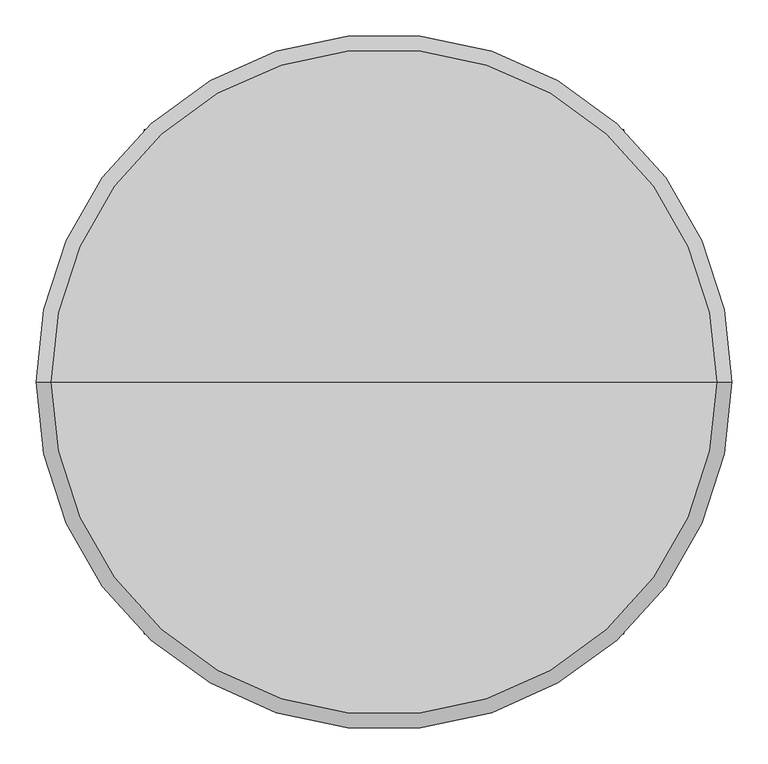
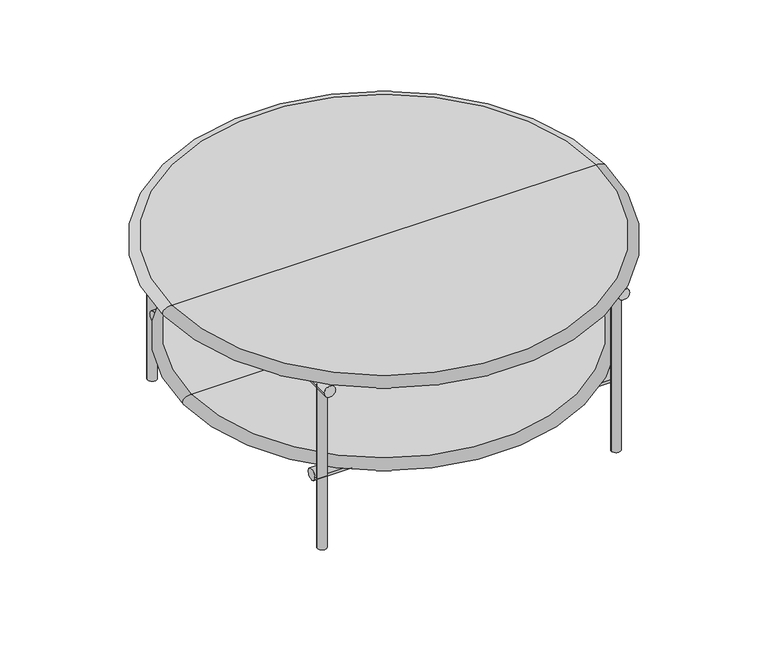
"""IFC4 building model written with IfcOpenShell, lengths in millimetres: furniture geometry."""

from ifc_helpers import new_model, si_unit, point, frame, frame_2d, origin, origin_with_axes, place, context, project, spatial, polyline, circle_curve, ellipse_curve, trimmed, segment, composite_curve, outline, extrude, source, transform, mapped, element, save
from ifc_brep_helpers import plane_surface, revolved_surface, advanced_brep


def furniture_38794dae(model_context):
    return source(origin(), model_context, "Body", "SolidModel", [
        extrude(outline(composite_curve([segment(trimmed(circle_curve(frame_2d((-224.4814804, -276.0)), 10.0), [point((-216.5922296, -282.1448939))], [point((-224.4814804, -286.0))], False, "CARTESIAN"), True, "CONTINUOUS"), segment(polyline([(-224.4814804, -286.0), (-252.7638191, -286.0), (-252.7638191, -281.0), (-226.6804189, -281.0)]), True, "CONTINUOUS"), segment(trimmed(circle_curve(frame_2d((-226.6804189, -271.5)), 9.5), [point((-226.6804189, -281.0))], [point((-219.1856306, -277.3376492))], True, "CARTESIAN"), True, "CONTINUOUS"), segment(polyline([(-219.1856306, -277.3376492), (-3.1688687, 0.0), (-219.1856306, 277.3376492)]), True, "CONTINUOUS"), segment(trimmed(circle_curve(frame_2d((-226.6804189, 271.5)), 9.5), [point((-219.1856306, 277.3376492))], [point((-226.6804189, 281.0))], True, "CARTESIAN"), True, "CONTINUOUS"), segment(polyline([(-226.6804189, 281.0), (-252.7638191, 281.0), (-252.7638191, 286.0), (-224.4814804, 286.0)]), True, "CONTINUOUS"), segment(trimmed(circle_curve(frame_2d((-224.4814804, 276.0)), 10.0), [point((-224.4814804, 286.0))], [point((-216.5922296, 282.1448939))], False, "CARTESIAN"), True, "CONTINUOUS"), segment(polyline([(-216.5922296, 282.1448939), (0.0, 4.0684185), (216.5922296, 282.1448939)]), True, "CONTINUOUS"), segment(trimmed(circle_curve(frame_2d((224.4814804, 276.0)), 10.0), [point((216.5922296, 282.1448939))], [point((224.4814804, 286.0))], False, "CARTESIAN"), True, "CONTINUOUS"), segment(polyline([(224.4814804, 286.0), (252.7638191, 286.0), (252.7638191, 281.0), (226.6804189, 281.0)]), True, "CONTINUOUS"), segment(trimmed(circle_curve(frame_2d((226.6804189, 271.5)), 9.5), [point((226.6804189, 281.0))], [point((219.1856306, 277.3376492))], True, "CARTESIAN"), True, "CONTINUOUS"), segment(polyline([(219.1856306, 277.3376492), (3.1688687, 0.0), (219.1856306, -277.3376492)]), True, "CONTINUOUS"), segment(trimmed(circle_curve(frame_2d((226.6804189, -271.5)), 9.5), [point((219.1856306, -277.3376492))], [point((226.6804189, -281.0))], True, "CARTESIAN"), True, "CONTINUOUS"), segment(polyline([(226.6804189, -281.0), (252.7638191, -281.0), (252.7638191, -286.0), (224.4814804, -286.0)]), True, "CONTINUOUS"), segment(trimmed(circle_curve(frame_2d((224.4814804, -276.0)), 10.0), [point((224.4814804, -286.0))], [point((216.5922296, -282.1448939))], False, "CARTESIAN"), True, "CONTINUOUS"), segment(polyline([(216.5922296, -282.1448939), (0.0, -4.0684185), (-216.5922296, -282.1448939)]), True, "CONTINUOUS")], self_intersect=False)), frame((0.0, 0.0, 145.0), z_axis=(0.0, 0.0, 1.0), x_axis=(1.0, 0.0, 0.0)), (0.0, 0.0, 1.0), 25.0),
        extrude(outline(composite_curve([segment(trimmed(circle_curve(frame_2d((298.4476471, 157.5)), 12.5), [point((310.9476471, 157.5))], [point((285.9476471, 157.5))], False, "CARTESIAN"), True, "CONTINUOUS"), segment(trimmed(circle_curve(frame_2d((298.4476471, 157.5)), 12.5), [point((285.9476471, 157.5))], [point((310.9476471, 157.5))], False, "CARTESIAN"), True, "CONTINUOUS")], self_intersect=False)), frame((-329.8534935, 0.0, 0.0), z_axis=(1.0, 0.0, 0.0), x_axis=(0.0, 1.0, 0.0)), (0.0, 0.0, 1.0), 659.8411172),
        extrude(outline(composite_curve([segment(trimmed(circle_curve(frame_2d((-298.4476471, 157.5)), 12.5), [point((-310.9476471, 157.5))], [point((-285.9476471, 157.5))], False, "CARTESIAN"), True, "CONTINUOUS"), segment(trimmed(circle_curve(frame_2d((-298.4476471, 157.5)), 12.5), [point((-285.9476471, 157.5))], [point((-310.9476471, 157.5))], False, "CARTESIAN"), True, "CONTINUOUS")], self_intersect=False)), frame((-329.8534935, 0.0, 0.0), z_axis=(1.0, 0.0, 0.0), x_axis=(0.0, 1.0, 0.0)), (0.0, 0.0, 1.0), 659.8411172),
        extrude(outline(composite_curve([segment(trimmed(circle_curve(frame_2d((375.5, -320.0)), 12.5), [point((375.5, -332.5))], [point((375.5, -307.5))], False, "CARTESIAN"), True, "CONTINUOUS"), segment(trimmed(circle_curve(frame_2d((375.5, -320.0)), 12.5), [point((375.5, -307.5))], [point((375.5, -332.5))], False, "CARTESIAN"), True, "CONTINUOUS")], self_intersect=False)), frame((0.0, -350.0, 0.0), z_axis=(0.0, 1.0, 0.0), x_axis=(0.0, 0.0, 1.0)), (0.0, 0.0, 1.0), 700.0),
        extrude(outline(composite_curve([segment(trimmed(circle_curve(frame_2d((375.5, 320.0)), 12.5), [point((375.5, 332.5))], [point((375.5, 307.5))], False, "CARTESIAN"), True, "CONTINUOUS"), segment(trimmed(circle_curve(frame_2d((375.5, 320.0)), 12.5), [point((375.5, 307.5))], [point((375.5, 332.5))], False, "CARTESIAN"), True, "CONTINUOUS")], self_intersect=False)), frame((0.0, -350.0, 0.0), z_axis=(0.0, 1.0, 0.0), x_axis=(0.0, 0.0, 1.0)), (0.0, 0.0, 1.0), 700.0),
        extrude(outline(composite_curve([segment(trimmed(circle_curve(frame_2d((-320.0, 320.0)), 7.4622037), [point((-327.4622037, 320.0))], [point((-312.5377963, 320.0))], False, "CARTESIAN"), True, "CONTINUOUS"), segment(trimmed(circle_curve(frame_2d((-320.0, 320.0)), 7.4622037), [point((-312.5377963, 320.0))], [point((-327.4622037, 320.0))], False, "CARTESIAN"), True, "CONTINUOUS")], self_intersect=False)), frame((0.0, 0.0, 375.5), z_axis=(0.0, 0.0, 1.0), x_axis=(1.0, 0.0, 0.0)), (0.0, 0.0, 1.0), 14.5),
        extrude(outline(composite_curve([segment(trimmed(circle_curve(frame_2d((320.0, 320.0)), 7.4622037), [point((327.4622037, 320.0))], [point((312.5377963, 320.0))], False, "CARTESIAN"), True, "CONTINUOUS"), segment(trimmed(circle_curve(frame_2d((320.0, 320.0)), 7.4622037), [point((312.5377963, 320.0))], [point((327.4622037, 320.0))], False, "CARTESIAN"), True, "CONTINUOUS")], self_intersect=False)), frame((0.0, 0.0, 375.5), z_axis=(0.0, 0.0, 1.0), x_axis=(1.0, 0.0, 0.0)), (0.0, 0.0, 1.0), 14.5),
        extrude(outline(composite_curve([segment(trimmed(circle_curve(frame_2d((-320.0, -320.0)), 7.4622037), [point((-327.4622037, -320.0))], [point((-312.5377963, -320.0))], False, "CARTESIAN"), True, "CONTINUOUS"), segment(trimmed(circle_curve(frame_2d((-320.0, -320.0)), 7.4622037), [point((-312.5377963, -320.0))], [point((-327.4622037, -320.0))], False, "CARTESIAN"), True, "CONTINUOUS")], self_intersect=False)), frame((0.0, 0.0, 375.5), z_axis=(0.0, 0.0, 1.0), x_axis=(1.0, 0.0, 0.0)), (0.0, 0.0, 1.0), 14.5),
        extrude(outline(composite_curve([segment(trimmed(circle_curve(frame_2d((320.0, -320.0)), 7.4622037), [point((327.4622037, -320.0))], [point((312.5377963, -320.0))], False, "CARTESIAN"), True, "CONTINUOUS"), segment(trimmed(circle_curve(frame_2d((320.0, -320.0)), 7.4622037), [point((312.5377963, -320.0))], [point((327.4622037, -320.0))], False, "CARTESIAN"), True, "CONTINUOUS")], self_intersect=False)), frame((0.0, 0.0, 375.5), z_axis=(0.0, 0.0, 1.0), x_axis=(1.0, 0.0, 0.0)), (0.0, 0.0, 1.0), 14.5),
        extrude(outline(composite_curve([segment(trimmed(circle_curve(frame_2d((-320.0, -320.0)), 10.0), [point((-330.0, -320.0))], [point((-310.0, -320.0))], False, "CARTESIAN"), True, "CONTINUOUS"), segment(trimmed(circle_curve(frame_2d((-320.0, -320.0)), 10.0), [point((-310.0, -320.0))], [point((-330.0, -320.0))], False, "CARTESIAN"), True, "CONTINUOUS")], self_intersect=False)), origin_with_axes(), (0.0, 0.0, 1.0), 375.5),
        extrude(outline(composite_curve([segment(trimmed(circle_curve(frame_2d((320.0, -320.0)), 10.0), [point((330.0, -320.0))], [point((310.0, -320.0))], False, "CARTESIAN"), True, "CONTINUOUS"), segment(trimmed(circle_curve(frame_2d((320.0, -320.0)), 10.0), [point((310.0, -320.0))], [point((330.0, -320.0))], False, "CARTESIAN"), True, "CONTINUOUS")], self_intersect=False)), origin_with_axes(), (0.0, 0.0, 1.0), 375.5),
        extrude(outline(composite_curve([segment(trimmed(circle_curve(frame_2d((-320.0, 320.0)), 10.0), [point((-330.0, 320.0))], [point((-310.0, 320.0))], False, "CARTESIAN"), True, "CONTINUOUS"), segment(trimmed(circle_curve(frame_2d((-320.0, 320.0)), 10.0), [point((-310.0, 320.0))], [point((-330.0, 320.0))], False, "CARTESIAN"), True, "CONTINUOUS")], self_intersect=False)), origin_with_axes(), (0.0, 0.0, 1.0), 375.5),
        extrude(outline(composite_curve([segment(trimmed(circle_curve(frame_2d((320.0, 320.0)), 10.0), [point((330.0, 320.0))], [point((310.0, 320.0))], False, "CARTESIAN"), True, "CONTINUOUS"), segment(trimmed(circle_curve(frame_2d((320.0, 320.0)), 10.0), [point((310.0, 320.0))], [point((330.0, 320.0))], False, "CARTESIAN"), True, "CONTINUOUS")], self_intersect=False)), origin_with_axes(), (0.0, 0.0, 1.0), 375.5),
        advanced_brep(
        [(-462.2410131, 0.0, 389.9999857), (462.2410131, 0.0, 389.9999857), (0.0, 0.0, 389.9999857), (-462.2410131, 0.0, 412.0000005), (462.2410131, 0.0, 412.0000005), (0.0, 0.0, 412.0000005)],
        [
            (0, 1, circle_curve(frame((0.0, 0.0, 389.9999857), z_axis=(0.0, 0.0, -1.0), x_axis=(1.0, 0.0, 0.0)), 462.2410131)),
            (1, 2),
            (2, 0),
            (1, 0, circle_curve(frame((0.0, 0.0, 389.9999857), z_axis=(0.0, 0.0, -1.0), x_axis=(1.0, 0.0, 0.0)), 462.2410131)),
            (3, 4, circle_curve(frame((0.0, 0.0, 412.0000005), z_axis=(0.0, 0.0, -1.0), x_axis=(1.0, 0.0, 0.0)), 462.2410131)),
            (4, 1, ellipse_curve(frame((462.2410131, 0.0, 400.9999931), z_axis=(0.0, 1.0, 0.0), x_axis=(-1.0, 0.0, 0.0)), 20.5179858, 11.0000074)),
            (0, 3, ellipse_curve(frame((-462.2410131, 0.0, 400.9999931), z_axis=(0.0, 1.0, 0.0), x_axis=(1.0, 0.0, 0.0)), 20.5179858, 11.0000074)),
            (4, 3, circle_curve(frame((0.0, 0.0, 412.0000005), z_axis=(0.0, 0.0, -1.0), x_axis=(1.0, 0.0, 0.0)), 462.2410131)),
            (5, 4),
            (3, 5),
        ],
        [
            plane_surface(frame((0.0, 0.0, 389.9999857), z_axis=(0.0, 0.0, -1.0), x_axis=(1.0, 0.0, 0.0))),
            revolved_surface(trimmed(ellipse_curve(frame((462.2410131, 0.0, 400.9999931), z_axis=(0.0, -1.0, 0.0), x_axis=(0.0, 0.0, 1.0)), 11.0000074, 20.5179858), [point((462.2410131, 0.0, 389.9999857))], [point((462.2410131, 0.0, 412.0000005))], True, "CARTESIAN"), (0.0, 0.0, 527.1455055), (0.0, 0.0, 1.0)),
            plane_surface(frame((0.0, 0.0, 412.0000005), z_axis=(0.0, 0.0, 1.0), x_axis=(1.0, 0.0, 0.0))),
        ],
        [
            (0, [[1, 2, 3]]),
            (0, [[4, -3, -2]]),
            (1, [[5, 6, -1, 7]]),
            (1, [[8, -7, -4, -6]]),
            (2, [[9, -5, 10]]),
            (2, [[-10, -8, -9]]),
        ],
    ),
        advanced_brep(
        [(-419.0303576, 0.0, 169.9999869), (419.0303576, 0.0, 169.9999869), (0.0, 0.0, 169.9999869), (-419.0303576, 0.0, 192.0000017), (419.0303576, 0.0, 192.0000017), (0.0, 0.0, 192.0000017)],
        [
            (0, 1, circle_curve(frame((0.0, 0.0, 169.9999869), z_axis=(0.0, 0.0, -1.0), x_axis=(1.0, 0.0, 0.0)), 419.0303576)),
            (1, 2),
            (2, 0),
            (1, 0, circle_curve(frame((0.0, 0.0, 169.9999869), z_axis=(0.0, 0.0, -1.0), x_axis=(1.0, 0.0, 0.0)), 419.0303576)),
            (3, 4, circle_curve(frame((0.0, 0.0, 192.0000017), z_axis=(0.0, 0.0, -1.0), x_axis=(1.0, 0.0, 0.0)), 419.0303576)),
            (4, 1, ellipse_curve(frame((419.0303576, 0.0, 180.9999943), z_axis=(0.0, 1.0, 0.0), x_axis=(-1.0, 0.0, 0.0)), 20.5179858, 11.0000074)),
            (0, 3, ellipse_curve(frame((-419.0303576, 0.0, 180.9999943), z_axis=(0.0, 1.0, 0.0), x_axis=(1.0, 0.0, 0.0)), 20.5179858, 11.0000074)),
            (4, 3, circle_curve(frame((0.0, 0.0, 192.0000017), z_axis=(0.0, 0.0, -1.0), x_axis=(1.0, 0.0, 0.0)), 419.0303576)),
            (5, 4),
            (3, 5),
        ],
        [
            plane_surface(frame((0.0, 0.0, 169.9999869), z_axis=(0.0, 0.0, -1.0), x_axis=(1.0, 0.0, 0.0))),
            revolved_surface(trimmed(ellipse_curve(frame((419.0303576, 0.0, 180.9999943), z_axis=(0.0, -1.0, 0.0), x_axis=(0.0, 0.0, 1.0)), 11.0000074, 20.5179858), [point((419.0303576, 0.0, 169.9999869))], [point((419.0303576, 0.0, 192.0000017))], True, "CARTESIAN"), (0.0, 0.0, 527.1455055), (0.0, 0.0, 1.0)),
            plane_surface(frame((0.0, 0.0, 192.0000017), z_axis=(0.0, 0.0, 1.0), x_axis=(1.0, 0.0, 0.0))),
        ],
        [
            (0, [[1, 2, 3]]),
            (0, [[4, -3, -2]]),
            (1, [[5, 6, -1, 7]]),
            (1, [[8, -7, -4, -6]]),
            (2, [[9, -5, 10]]),
            (2, [[-10, -8, -9]]),
        ],
    ),
    ])


if __name__ == "__main__":
    model = new_model("IFC4")
    model_context = context("Model", 3, world=origin())
    ifc_project = project(units=[si_unit("LENGTHUNIT", "METRE", prefix="MILLI")], contexts=[model_context])
    site = spatial("IfcSite", under=ifc_project)
    building = spatial("IfcBuilding", under=site)
    placement = place(None, origin())
    furniture_shape = furniture_38794dae(model_context)
    element("IfcFurniture", 1, at=placement, inside=building, context=model_context, shape_type="MappedRepresentation", body=[
        mapped(furniture_shape, transform((0.0, 0.0, 0.0), x_axis=(1.0, 0.0, 0.0), y_axis=(0.0, 1.0, 0.0), z_axis=(0.0, 0.0, 1.0))),
    ])
    save(model, "model.ifc")
